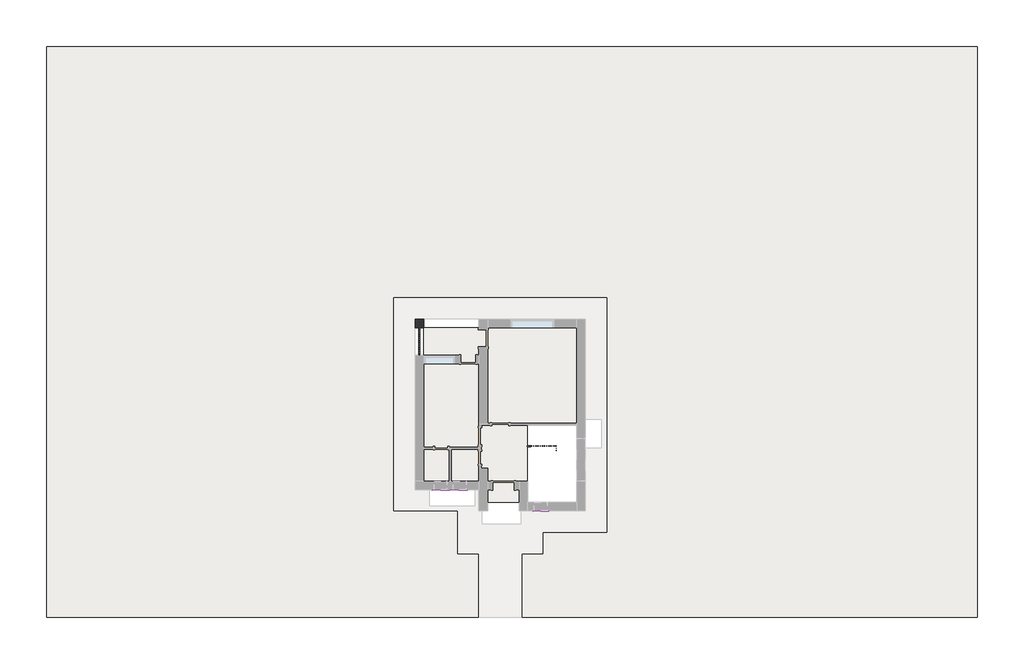
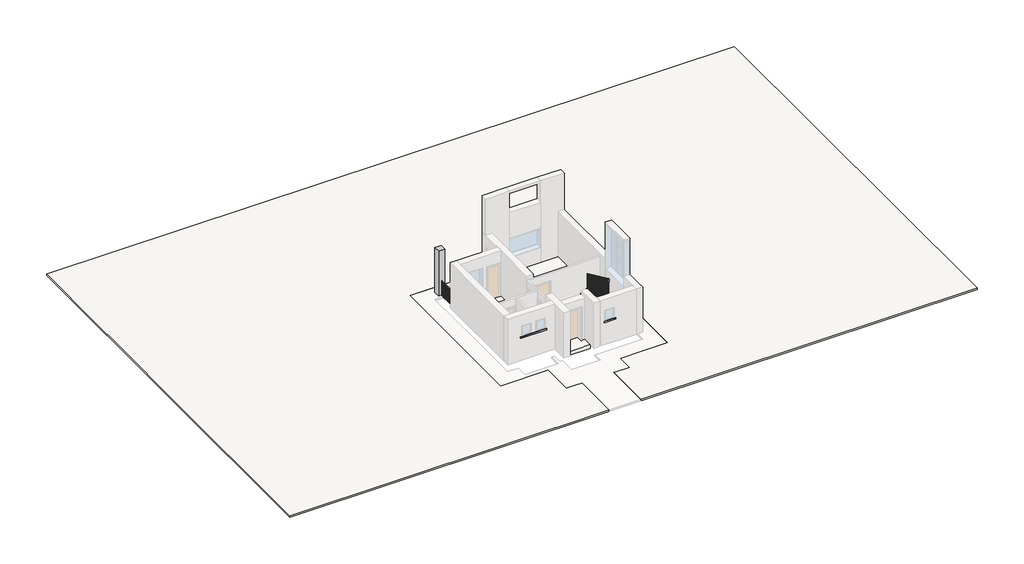
# One storey, part 2 of 2: 2 proxies, 2 railings, 2 slabs, 1 column.
"""IFC4 building model written with IfcOpenShell, lengths in millimetres."""

from ifc_helpers import new_model, si_unit, point, frame, frame_2d, origin, place, context, project, spatial, polyline, circle_curve, trimmed, segment, composite_curve, outline, extrude, faceted_brep, element, save

model = new_model("IFC4")

# Units and contexts
model_context = context("Model", 3, world=origin())
ifc_project = project(units=[si_unit("LENGTHUNIT", "METRE", prefix="MILLI")], contexts=[model_context])

# Site, building, storey
site = spatial("IfcSite", under=ifc_project)
building = spatial("IfcBuilding", under=site)
storey = spatial("IfcBuildingStorey", under=building, Elevation=450.0)

# Proxies
placement = place(None, origin())
element("IfcBuildingElementProxy", 1, Name="Cornice", ObjectType="Cornice", at=placement, inside=storey, context=model_context, shape_type="SweptSolid", body=[
    extrude(outline(polyline([(-4123.694566, -1474.9034387), (-4123.694566, -1524.9034387), (-5783.694566, -1524.9034387), (-5783.694566, -1474.9034387), (-4123.694566, -1474.9034387)])), frame((0.0, 0.0, 1970.0), z_axis=(0.0, 0.0, 1.0), x_axis=(1.0, 0.0, 0.0)), (0.0, 0.0, 1.0), 80.0),
])
element("IfcBuildingElementProxy", 2, Name="Cornice", ObjectType="Cornice", at=placement, inside=storey, context=model_context, shape_type="SweptSolid", body=[
    extrude(outline(polyline([(-303.694566, -2474.9034387), (-303.694566, -2524.9034387), (-1043.694566, -2524.9034387), (-1043.694566, -2474.9034387), (-303.694566, -2474.9034387)])), frame((0.0, 0.0, 1970.0), z_axis=(0.0, 0.0, 1.0), x_axis=(1.0, 0.0, 0.0)), (0.0, 0.0, 1.0), 80.0),
])

# Column
element("IfcColumn", 3, ObjectType="Family2 : Family2", at=placement, inside=storey, context=model_context, shape_type="SweptSolid", body=[
    extrude(outline(polyline([(-6183.694566, 6525.0965613), (-6183.694566, 6125.0965613), (-6583.694566, 6125.0965613), (-6583.694566, 6525.0965613), (-6183.694566, 6525.0965613)])), frame((0.0, 0.0, 450.0), z_axis=(0.0, 0.0, 1.0), x_axis=(1.0, 0.0, 0.0)), (0.0, 0.0, 1.0), 3040.0),
])

# Railings
element("IfcRailing", 4, at=placement, inside=storey, context=model_context, shape_type="SweptSolid", body=[
    extrude(outline(composite_curve([segment(trimmed(circle_curve(frame_2d((1430.95, -6383.694566)), 19.05), [point((1430.95, -6402.744566))], [point((1430.95, -6364.644566))], False, "CARTESIAN"), True, "CONTINUOUS"), segment(trimmed(circle_curve(frame_2d((1430.95, -6383.694566)), 19.05), [point((1430.95, -6364.644566))], [point((1430.95, -6402.744566))], False, "CARTESIAN"), True, "CONTINUOUS")], self_intersect=False)), frame((0.0, 4825.0965613, 0.0), z_axis=(0.0, 1.0, 0.0), x_axis=(0.0, 0.0, 1.0)), (0.0, 0.0, 1.0), 1300.0),
    extrude(outline(polyline([(-6402.744566, 4924.9465613), (-6364.644566, 4924.9465613), (-6364.644566, 4886.8465613), (-6402.744566, 4886.8465613), (-6402.744566, 4924.9465613)])), frame((0.0, 0.0, 450.0), z_axis=(0.0, 0.0, 1.0), x_axis=(1.0, 0.0, 0.0)), (0.0, 0.0, 1.0), 961.9),
    extrude(outline(polyline([(-6402.744566, 5026.5465613), (-6364.644566, 5026.5465613), (-6364.644566, 4988.4465613), (-6402.744566, 4988.4465613), (-6402.744566, 5026.5465613)])), frame((0.0, 0.0, 450.0), z_axis=(0.0, 0.0, 1.0), x_axis=(1.0, 0.0, 0.0)), (0.0, 0.0, 1.0), 961.9),
    extrude(outline(polyline([(-6402.744566, 5128.1465613), (-6364.644566, 5128.1465613), (-6364.644566, 5090.0465613), (-6402.744566, 5090.0465613), (-6402.744566, 5128.1465613)])), frame((0.0, 0.0, 450.0), z_axis=(0.0, 0.0, 1.0), x_axis=(1.0, 0.0, 0.0)), (0.0, 0.0, 1.0), 961.9),
    extrude(outline(polyline([(-6402.744566, 5229.7465613), (-6364.644566, 5229.7465613), (-6364.644566, 5191.6465613), (-6402.744566, 5191.6465613), (-6402.744566, 5229.7465613)])), frame((0.0, 0.0, 450.0), z_axis=(0.0, 0.0, 1.0), x_axis=(1.0, 0.0, 0.0)), (0.0, 0.0, 1.0), 961.9),
    extrude(outline(polyline([(-6402.744566, 5331.3465613), (-6364.644566, 5331.3465613), (-6364.644566, 5293.2465613), (-6402.744566, 5293.2465613), (-6402.744566, 5331.3465613)])), frame((0.0, 0.0, 450.0), z_axis=(0.0, 0.0, 1.0), x_axis=(1.0, 0.0, 0.0)), (0.0, 0.0, 1.0), 961.9),
    extrude(outline(polyline([(-6402.744566, 5432.9465613), (-6364.644566, 5432.9465613), (-6364.644566, 5394.8465613), (-6402.744566, 5394.8465613), (-6402.744566, 5432.9465613)])), frame((0.0, 0.0, 450.0), z_axis=(0.0, 0.0, 1.0), x_axis=(1.0, 0.0, 0.0)), (0.0, 0.0, 1.0), 961.9),
    extrude(outline(polyline([(-6402.744566, 5534.5465613), (-6364.644566, 5534.5465613), (-6364.644566, 5496.4465613), (-6402.744566, 5496.4465613), (-6402.744566, 5534.5465613)])), frame((0.0, 0.0, 450.0), z_axis=(0.0, 0.0, 1.0), x_axis=(1.0, 0.0, 0.0)), (0.0, 0.0, 1.0), 961.9),
    extrude(outline(polyline([(-6402.744566, 5636.1465613), (-6364.644566, 5636.1465613), (-6364.644566, 5598.0465613), (-6402.744566, 5598.0465613), (-6402.744566, 5636.1465613)])), frame((0.0, 0.0, 450.0), z_axis=(0.0, 0.0, 1.0), x_axis=(1.0, 0.0, 0.0)), (0.0, 0.0, 1.0), 961.9),
    extrude(outline(polyline([(-6402.744566, 5737.7465613), (-6364.644566, 5737.7465613), (-6364.644566, 5699.6465613), (-6402.744566, 5699.6465613), (-6402.744566, 5737.7465613)])), frame((0.0, 0.0, 450.0), z_axis=(0.0, 0.0, 1.0), x_axis=(1.0, 0.0, 0.0)), (0.0, 0.0, 1.0), 961.9),
    extrude(outline(polyline([(-6402.744566, 5839.3465613), (-6364.644566, 5839.3465613), (-6364.644566, 5801.2465613), (-6402.744566, 5801.2465613), (-6402.744566, 5839.3465613)])), frame((0.0, 0.0, 450.0), z_axis=(0.0, 0.0, 1.0), x_axis=(1.0, 0.0, 0.0)), (0.0, 0.0, 1.0), 961.9),
    extrude(outline(polyline([(-6402.744566, 5940.9465613), (-6364.644566, 5940.9465613), (-6364.644566, 5902.8465613), (-6402.744566, 5902.8465613), (-6402.744566, 5940.9465613)])), frame((0.0, 0.0, 450.0), z_axis=(0.0, 0.0, 1.0), x_axis=(1.0, 0.0, 0.0)), (0.0, 0.0, 1.0), 961.9),
    extrude(outline(polyline([(-6402.744566, 6042.5465613), (-6364.644566, 6042.5465613), (-6364.644566, 6004.4465613), (-6402.744566, 6004.4465613), (-6402.744566, 6042.5465613)])), frame((0.0, 0.0, 450.0), z_axis=(0.0, 0.0, 1.0), x_axis=(1.0, 0.0, 0.0)), (0.0, 0.0, 1.0), 961.9),
    extrude(outline(polyline([(-6393.219566, 4844.1215613), (-6374.169566, 4844.1215613), (-6374.169566, 4825.0715613), (-6393.219566, 4825.0715613), (-6393.219566, 4844.1215613)])), frame((0.0, 0.0, 450.0), z_axis=(0.0, 0.0, 1.0), x_axis=(1.0, 0.0, 0.0)), (0.0, 0.0, 1.0), 961.9),
    extrude(outline(polyline([(-6393.219566, 6125.1215613), (-6374.169566, 6125.1215613), (-6374.169566, 6106.0715613), (-6393.219566, 6106.0715613), (-6393.219566, 6125.1215613)])), frame((0.0, 0.0, 450.0), z_axis=(0.0, 0.0, 1.0), x_axis=(1.0, 0.0, 0.0)), (0.0, 0.0, 1.0), 961.9),
])
element("IfcRailing", 5, ObjectType="Handrail - Rectangular", at=placement, inside=storey, context=model_context, shape_type="SolidModel", body=[
    faceted_brep([(-1315.444566, 595.8965613, 1610.0), (-1315.444566, 595.8965613, 1550.3516657), (-1315.444566, 545.0965613, 1550.3516657), (-1315.444566, 545.0965613, 1610.0), (-15.444566, 595.8965613, 2410.0), (-1.0660228, 595.8965613, 2359.2), (-1.0660228, 545.0965613, 2359.2), (-15.444566, 545.0965613, 2410.0), (41.705434, 595.8965613, 2410.0), (41.705434, 545.0965613, 2410.0), (92.505434, 545.0965613, 2359.2), (92.505434, 595.8965613, 2359.2)], [[[0, 1, 2, 3]], [[1, 0, 4, 5]], [[2, 1, 5, 6]], [[3, 2, 6, 7]], [[0, 3, 7, 4]], [[8, 9, 10, 11]], [[5, 4, 8, 11]], [[6, 5, 11, 10]], [[7, 6, 10, 9]], [[4, 7, 9, 8]]]),
    faceted_brep([(41.705434, 595.8965613, 2410.0), (92.505434, 595.8965613, 2359.2), (92.505434, 545.0965613, 2359.2), (41.705434, 545.0965613, 2410.0), (41.705434, 595.8965613, 2568.7683608), (41.705434, 545.0965613, 2540.2485687), (92.505434, 545.0965613, 2540.2485687), (92.505434, 595.8965613, 2568.7683608)], [[[0, 1, 2, 3]], [[4, 5, 6, 7]], [[1, 0, 4, 7]], [[2, 1, 7, 6]], [[3, 2, 6, 5]], [[0, 3, 5, 4]]]),
    faceted_brep([(67.105434, 570.4965613, 2554.5084648), (67.105434, 519.6965613, 2525.9886727), (16.305434, 519.6965613, 2525.9886727), (16.305434, 570.4965613, 2554.5084648), (67.105434, -1028.9243229, 3530.0), (67.105434, -1043.1935806, 3479.2), (16.305434, -1043.1935806, 3479.2), (16.305434, -1028.9243229, 3530.0), (67.105434, -1086.0743229, 3530.0), (16.305434, -1086.0743229, 3530.0), (16.305434, -1136.8743229, 3479.2), (67.105434, -1136.8743229, 3479.2)], [[[0, 1, 2, 3]], [[1, 0, 4, 5]], [[2, 1, 5, 6]], [[3, 2, 6, 7]], [[0, 3, 7, 4]], [[8, 9, 10, 11]], [[5, 4, 8, 11]], [[6, 5, 11, 10]], [[7, 6, 10, 9]], [[4, 7, 9, 8]]]),
    faceted_brep([(67.105434, -1086.0743229, 3530.0), (67.105434, -1136.8743229, 3479.2), (16.305434, -1136.8743229, 3479.2), (16.305434, -1086.0743229, 3530.0), (67.105434, -1086.0743229, 3688.5626287), (16.305434, -1086.0743229, 3660.1758328), (16.305434, -1136.8743229, 3660.1758328), (67.105434, -1136.8743229, 3688.5626287)], [[[0, 1, 2, 3]], [[4, 5, 6, 7]], [[1, 0, 4, 7]], [[2, 1, 7, 6]], [[3, 2, 6, 5]], [[0, 3, 5, 4]]]),
    faceted_brep([(41.705434, -1111.4743229, 3674.3692308), (-9.094566, -1111.4743229, 3645.9824349), (-9.094566, -1060.6743229, 3645.9824349), (41.705434, -1060.6743229, 3674.3692308), (-1283.694566, -1111.4743229, 4490.0), (-1283.694566, -1060.6743229, 4490.0), (-1283.694566, -1060.6743229, 4430.3516657), (-1283.694566, -1111.4743229, 4430.3516657)], [[[0, 1, 2, 3]], [[4, 5, 6, 7]], [[1, 0, 4, 7]], [[2, 1, 7, 6]], [[3, 2, 6, 5]], [[0, 3, 5, 4]]]),
    extrude(outline(polyline([(4421.659358, -1269.569566), (4433.3824349, -1288.619566), (3330.0, -1288.619566), (3330.0, -1269.569566), (4421.659358, -1269.569566)])), frame((0.0, -1095.5993229, 0.0), z_axis=(0.0, 1.0, 0.0), x_axis=(0.0, 0.0, 1.0)), (0.0, 0.0, 1.0), 19.05),
    extrude(outline(polyline([(4359.1362811, -1167.969566), (4370.859358, -1187.019566), (3330.0, -1187.019566), (3330.0, -1167.969566), (4359.1362811, -1167.969566)])), frame((0.0, -1095.5993229, 0.0), z_axis=(0.0, 1.0, 0.0), x_axis=(0.0, 0.0, 1.0)), (0.0, 0.0, 1.0), 19.05),
    extrude(outline(polyline([(4296.5516657, -1066.369566), (4308.2747426, -1085.419566), (3330.0, -1085.419566), (3330.0, -1066.369566), (4296.5516657, -1066.369566)])), frame((0.0, -1095.5993229, 0.0), z_axis=(0.0, 1.0, 0.0), x_axis=(0.0, 0.0, 1.0)), (0.0, 0.0, 1.0), 19.05),
    extrude(outline(polyline([(4234.0901272, -964.769566), (4245.8132041, -983.819566), (3170.0, -983.819566), (3170.0, -964.769566), (4234.0901272, -964.769566)])), frame((0.0, -1095.5993229, 0.0), z_axis=(0.0, 1.0, 0.0), x_axis=(0.0, 0.0, 1.0)), (0.0, 0.0, 1.0), 19.05),
    extrude(outline(polyline([(4171.5055118, -863.169566), (4183.2285888, -882.219566), (3170.0, -882.219566), (3170.0, -863.169566), (4171.5055118, -863.169566)])), frame((0.0, -1095.5993229, 0.0), z_axis=(0.0, 1.0, 0.0), x_axis=(0.0, 0.0, 1.0)), (0.0, 0.0, 1.0), 19.05),
    extrude(outline(polyline([(4108.9824349, -761.569566), (4120.7055118, -780.619566), (3170.0, -780.619566), (3170.0, -761.569566), (4108.9824349, -761.569566)])), frame((0.0, -1095.5993229, 0.0), z_axis=(0.0, 1.0, 0.0), x_axis=(0.0, 0.0, 1.0)), (0.0, 0.0, 1.0), 19.05),
    extrude(outline(polyline([(4046.5208965, -659.969566), (4058.2439734, -679.019566), (3010.0, -679.019566), (3010.0, -659.969566), (4046.5208965, -659.969566)])), frame((0.0, -1095.5993229, 0.0), z_axis=(0.0, 1.0, 0.0), x_axis=(0.0, 0.0, 1.0)), (0.0, 0.0, 1.0), 19.05),
    extrude(outline(polyline([(3983.9362811, -558.369566), (3995.659358, -577.419566), (3010.0, -577.419566), (3010.0, -558.369566), (3983.9362811, -558.369566)])), frame((0.0, -1095.5993229, 0.0), z_axis=(0.0, 1.0, 0.0), x_axis=(0.0, 0.0, 1.0)), (0.0, 0.0, 1.0), 19.05),
    extrude(outline(polyline([(3921.4747426, -456.769566), (3933.1978195, -475.819566), (2850.0, -475.819566), (2850.0, -456.769566), (3921.4747426, -456.769566)])), frame((0.0, -1095.5993229, 0.0), z_axis=(0.0, 1.0, 0.0), x_axis=(0.0, 0.0, 1.0)), (0.0, 0.0, 1.0), 19.05),
    extrude(outline(polyline([(3858.9516657, -355.169566), (3870.6747426, -374.219566), (2850.0, -374.219566), (2850.0, -355.169566), (3858.9516657, -355.169566)])), frame((0.0, -1095.5993229, 0.0), z_axis=(0.0, 1.0, 0.0), x_axis=(0.0, 0.0, 1.0)), (0.0, 0.0, 1.0), 19.05),
    extrude(outline(polyline([(3796.4285888, -253.569566), (3808.1516657, -272.619566), (2850.0, -272.619566), (2850.0, -253.569566), (3796.4285888, -253.569566)])), frame((0.0, -1095.5993229, 0.0), z_axis=(0.0, 1.0, 0.0), x_axis=(0.0, 0.0, 1.0)), (0.0, 0.0, 1.0), 19.05),
    extrude(outline(polyline([(3733.9055118, -151.969566), (3745.6285888, -171.019566), (2690.0, -171.019566), (2690.0, -151.969566), (3733.9055118, -151.969566)])), frame((0.0, -1095.5993229, 0.0), z_axis=(0.0, 1.0, 0.0), x_axis=(0.0, 0.0, 1.0)), (0.0, 0.0, 1.0), 19.05),
    extrude(outline(polyline([(3671.3824349, -50.369566), (3683.1055118, -69.419566), (2690.0, -69.419566), (2690.0, -50.369566), (3671.3824349, -50.369566)])), frame((0.0, -1095.5993229, 0.0), z_axis=(0.0, 1.0, 0.0), x_axis=(0.0, 0.0, 1.0)), (0.0, 0.0, 1.0), 19.05),
    extrude(outline(polyline([(-963.0284387, 3430.3070425), (-943.9784387, 3418.688391), (-943.9784387, 2370.0), (-963.0284387, 2370.0), (-963.0284387, 3430.3070425)])), frame((32.180434, 0.0, 0.0), z_axis=(1.0, 0.0, 0.0), x_axis=(0.0, 1.0, 0.0)), (0.0, 0.0, 1.0), 19.05),
    extrude(outline(polyline([(-861.4284387, 3368.3409015), (-842.3784387, 3356.7222501), (-842.3784387, 2370.0), (-861.4284387, 2370.0), (-861.4284387, 3368.3409015)])), frame((32.180434, 0.0, 0.0), z_axis=(1.0, 0.0, 0.0), x_axis=(0.0, 1.0, 0.0)), (0.0, 0.0, 1.0), 19.05),
    extrude(outline(polyline([(-759.8284387, 3306.3747605), (-740.7784387, 3294.7561091), (-740.7784387, 2210.0), (-759.8284387, 2210.0), (-759.8284387, 3306.3747605)])), frame((32.180434, 0.0, 0.0), z_axis=(1.0, 0.0, 0.0), x_axis=(0.0, 1.0, 0.0)), (0.0, 0.0, 1.0), 19.05),
    extrude(outline(polyline([(-658.2284387, 3244.4086195), (-639.1784387, 3232.7899681), (-639.1784387, 2210.0), (-658.2284387, 2210.0), (-658.2284387, 3244.4086195)])), frame((32.180434, 0.0, 0.0), z_axis=(1.0, 0.0, 0.0), x_axis=(0.0, 1.0, 0.0)), (0.0, 0.0, 1.0), 19.05),
    extrude(outline(polyline([(-556.6284387, 3182.4424786), (-537.5784387, 3170.8238271), (-537.5784387, 2210.0), (-556.6284387, 2210.0), (-556.6284387, 3182.4424786)])), frame((32.180434, 0.0, 0.0), z_axis=(1.0, 0.0, 0.0), x_axis=(0.0, 1.0, 0.0)), (0.0, 0.0, 1.0), 19.05),
    extrude(outline(polyline([(-455.0284387, 3120.4763376), (-435.9784387, 3108.8576862), (-435.9784387, 2050.0), (-455.0284387, 2050.0), (-455.0284387, 3120.4763376)])), frame((32.180434, 0.0, 0.0), z_axis=(1.0, 0.0, 0.0), x_axis=(0.0, 1.0, 0.0)), (0.0, 0.0, 1.0), 19.05),
    extrude(outline(polyline([(-353.4284387, 3058.5101966), (-334.3784387, 3046.8915452), (-334.3784387, 2050.0), (-353.4284387, 2050.0), (-353.4284387, 3058.5101966)])), frame((32.180434, 0.0, 0.0), z_axis=(1.0, 0.0, 0.0), x_axis=(0.0, 1.0, 0.0)), (0.0, 0.0, 1.0), 19.05),
    extrude(outline(polyline([(-251.8284387, 2996.5440557), (-232.7784387, 2984.9254042), (-232.7784387, 2050.0), (-251.8284387, 2050.0), (-251.8284387, 2996.5440557)])), frame((32.180434, 0.0, 0.0), z_axis=(1.0, 0.0, 0.0), x_axis=(0.0, 1.0, 0.0)), (0.0, 0.0, 1.0), 19.05),
    extrude(outline(polyline([(-150.2284387, 2934.5779147), (-131.1784387, 2922.9592633), (-131.1784387, 1890.0), (-150.2284387, 1890.0), (-150.2284387, 2934.5779147)])), frame((32.180434, 0.0, 0.0), z_axis=(1.0, 0.0, 0.0), x_axis=(0.0, 1.0, 0.0)), (0.0, 0.0, 1.0), 19.05),
    extrude(outline(polyline([(-48.6284387, 2872.6117737), (-29.5784387, 2860.9931223), (-29.5784387, 1890.0), (-48.6284387, 1890.0), (-48.6284387, 2872.6117737)])), frame((32.180434, 0.0, 0.0), z_axis=(1.0, 0.0, 0.0), x_axis=(0.0, 1.0, 0.0)), (0.0, 0.0, 1.0), 19.05),
    extrude(outline(polyline([(52.9715613, 2810.6456327), (72.0215613, 2799.0269813), (72.0215613, 1730.0), (52.9715613, 1730.0), (52.9715613, 2810.6456327)])), frame((32.180434, 0.0, 0.0), z_axis=(1.0, 0.0, 0.0), x_axis=(0.0, 1.0, 0.0)), (0.0, 0.0, 1.0), 19.05),
    extrude(outline(polyline([(154.5715613, 2748.6794918), (173.6215613, 2737.0608403), (173.6215613, 1730.0), (154.5715613, 1730.0), (154.5715613, 2748.6794918)])), frame((32.180434, 0.0, 0.0), z_axis=(1.0, 0.0, 0.0), x_axis=(0.0, 1.0, 0.0)), (0.0, 0.0, 1.0), 19.05),
    extrude(outline(polyline([(256.1715613, 2686.7133508), (275.2215613, 2675.0946994), (275.2215613, 1730.0), (256.1715613, 1730.0), (256.1715613, 2686.7133508)])), frame((32.180434, 0.0, 0.0), z_axis=(1.0, 0.0, 0.0), x_axis=(0.0, 1.0, 0.0)), (0.0, 0.0, 1.0), 19.05),
    extrude(outline(polyline([(357.7715613, 2624.7472098), (376.8215613, 2613.1285584), (376.8215613, 1570.0), (357.7715613, 1570.0), (357.7715613, 2624.7472098)])), frame((32.180434, 0.0, 0.0), z_axis=(1.0, 0.0, 0.0), x_axis=(0.0, 1.0, 0.0)), (0.0, 0.0, 1.0), 19.05),
    extrude(outline(polyline([(459.3715613, 2562.7810689), (478.4215613, 2551.1624174), (478.4215613, 1570.0), (459.3715613, 1570.0), (459.3715613, 2562.7810689)])), frame((32.180434, 0.0, 0.0), z_axis=(1.0, 0.0, 0.0), x_axis=(0.0, 1.0, 0.0)), (0.0, 0.0, 1.0), 19.05),
    extrude(outline(polyline([(2306.4901272, -86.719566), (2294.7670503, -105.769566), (1250.0, -105.769566), (1250.0, -86.719566), (2306.4901272, -86.719566)])), frame((0.0, 560.9715613, 0.0), z_axis=(0.0, 1.0, 0.0), x_axis=(0.0, 0.0, 1.0)), (0.0, 0.0, 1.0), 19.05),
    extrude(outline(polyline([(2243.9670503, -188.319566), (2232.2439734, -207.369566), (1250.0, -207.369566), (1250.0, -188.319566), (2243.9670503, -188.319566)])), frame((0.0, 560.9715613, 0.0), z_axis=(0.0, 1.0, 0.0), x_axis=(0.0, 0.0, 1.0)), (0.0, 0.0, 1.0), 19.05),
    extrude(outline(polyline([(2181.4439734, -289.919566), (2169.7208965, -308.969566), (1090.0, -308.969566), (1090.0, -289.919566), (2181.4439734, -289.919566)])), frame((0.0, 560.9715613, 0.0), z_axis=(0.0, 1.0, 0.0), x_axis=(0.0, 0.0, 1.0)), (0.0, 0.0, 1.0), 19.05),
    extrude(outline(polyline([(2118.9208965, -391.519566), (2107.1978195, -410.569566), (1090.0, -410.569566), (1090.0, -391.519566), (2118.9208965, -391.519566)])), frame((0.0, 560.9715613, 0.0), z_axis=(0.0, 1.0, 0.0), x_axis=(0.0, 0.0, 1.0)), (0.0, 0.0, 1.0), 19.05),
    extrude(outline(polyline([(2056.3978195, -493.119566), (2044.6747426, -512.169566), (1090.0, -512.169566), (1090.0, -493.119566), (2056.3978195, -493.119566)])), frame((0.0, 560.9715613, 0.0), z_axis=(0.0, 1.0, 0.0), x_axis=(0.0, 0.0, 1.0)), (0.0, 0.0, 1.0), 19.05),
    extrude(outline(polyline([(1993.8747426, -594.719566), (1982.1516657, -613.769566), (930.0, -613.769566), (930.0, -594.719566), (1993.8747426, -594.719566)])), frame((0.0, 560.9715613, 0.0), z_axis=(0.0, 1.0, 0.0), x_axis=(0.0, 0.0, 1.0)), (0.0, 0.0, 1.0), 19.05),
    extrude(outline(polyline([(1931.3516657, -696.319566), (1919.6285888, -715.369566), (930.0, -715.369566), (930.0, -696.319566), (1931.3516657, -696.319566)])), frame((0.0, 560.9715613, 0.0), z_axis=(0.0, 1.0, 0.0), x_axis=(0.0, 0.0, 1.0)), (0.0, 0.0, 1.0), 19.05),
    extrude(outline(polyline([(1868.8285888, -797.919566), (1857.1055118, -816.969566), (770.0, -816.969566), (770.0, -797.919566), (1868.8285888, -797.919566)])), frame((0.0, 560.9715613, 0.0), z_axis=(0.0, 1.0, 0.0), x_axis=(0.0, 0.0, 1.0)), (0.0, 0.0, 1.0), 19.05),
    extrude(outline(polyline([(1806.3055118, -899.519566), (1794.5824349, -918.569566), (770.0, -918.569566), (770.0, -899.519566), (1806.3055118, -899.519566)])), frame((0.0, 560.9715613, 0.0), z_axis=(0.0, 1.0, 0.0), x_axis=(0.0, 0.0, 1.0)), (0.0, 0.0, 1.0), 19.05),
    extrude(outline(polyline([(1743.7824349, -1001.119566), (1732.059358, -1020.169566), (770.0, -1020.169566), (770.0, -1001.119566), (1743.7824349, -1001.119566)])), frame((0.0, 560.9715613, 0.0), z_axis=(0.0, 1.0, 0.0), x_axis=(0.0, 0.0, 1.0)), (0.0, 0.0, 1.0), 19.05),
    extrude(outline(polyline([(1681.259358, -1102.719566), (1669.5362811, -1121.769566), (610.0, -1121.769566), (610.0, -1102.719566), (1681.259358, -1102.719566)])), frame((0.0, 560.9715613, 0.0), z_axis=(0.0, 1.0, 0.0), x_axis=(0.0, 0.0, 1.0)), (0.0, 0.0, 1.0), 19.05),
    extrude(outline(polyline([(1618.7362811, -1204.319566), (1607.0132041, -1223.369566), (610.0, -1223.369566), (610.0, -1204.319566), (1618.7362811, -1204.319566)])), frame((0.0, 560.9715613, 0.0), z_axis=(0.0, 1.0, 0.0), x_axis=(0.0, 0.0, 1.0)), (0.0, 0.0, 1.0), 19.05),
    extrude(outline(polyline([(51.230434, -1076.5493229), (51.230434, -1095.5993229), (32.180434, -1095.5993229), (32.180434, -1076.5493229), (51.230434, -1076.5493229)])), frame((0.0, 0.0, 2530.0), z_axis=(0.0, 0.0, 1.0), x_axis=(1.0, 0.0, 0.0)), (0.0, 0.0, 1.0), 949.2),
    extrude(outline(polyline([(-1038.4493229, 3511.1624174), (-1019.3993229, 3499.543766), (-1019.3993229, 2530.0), (-1038.4493229, 2530.0), (-1038.4493229, 3511.1624174)])), frame((32.180434, 0.0, 0.0), z_axis=(1.0, 0.0, 0.0), x_axis=(0.0, 1.0, 0.0)), (0.0, 0.0, 1.0), 19.05),
    extrude(outline(polyline([(32.180434, 580.0215613), (51.230434, 580.0215613), (51.230434, 560.9715613), (32.180434, 560.9715613), (32.180434, 580.0215613)])), frame((0.0, 0.0, 1410.0), z_axis=(0.0, 0.0, 1.0), x_axis=(1.0, 0.0, 0.0)), (0.0, 0.0, 1.0), 949.2),
    extrude(outline(polyline([(2391.3824349, -5.919566), (2379.659358, -24.969566), (1410.0, -24.969566), (1410.0, -5.919566), (2391.3824349, -5.919566)])), frame((0.0, 560.9715613, 0.0), z_axis=(0.0, 1.0, 0.0), x_axis=(0.0, 0.0, 1.0)), (0.0, 0.0, 1.0), 19.05),
    extrude(outline(polyline([(4418.6285888, -1264.669566), (4430.3516657, -1283.719566), (3330.0, -1283.719566), (3330.0, -1264.669566), (4418.6285888, -1264.669566)])), frame((0.0, -1095.5993229, 0.0), z_axis=(0.0, 1.0, 0.0), x_axis=(0.0, 0.0, 1.0)), (0.0, 0.0, 1.0), 19.05),
    extrude(outline(polyline([(1562.0747426, -1296.419566), (1550.3516657, -1315.469566), (610.0, -1315.469566), (610.0, -1296.419566), (1562.0747426, -1296.419566)])), frame((0.0, 560.9715613, 0.0), z_axis=(0.0, 1.0, 0.0), x_axis=(0.0, 0.0, 1.0)), (0.0, 0.0, 1.0), 19.05),
])

# Slabs
element("IfcSlab", 6, at=placement, inside=storey, context=model_context, shape_type="SweptSolid", body=[
    extrude(outline(polyline([(-3583.694566, -4474.9034387), (-3583.694566, -7474.9034387), (-23883.694566, -7474.9034387), (-23883.694566, 19325.0965613), (19816.305434, 19325.0965613), (19816.305434, -7474.9034387), (-1583.694566, -7474.9034387), (-1583.694566, -4474.9034387), (-583.694566, -4474.9034387), (-583.694566, -3474.9034387), (2416.305434, -3474.9034387), (2416.305434, 7525.0965613), (-7583.694566, 7525.0965613), (-7583.694566, -2474.9034387), (-4583.694566, -2474.9034387), (-4583.694566, -4474.9034387), (-3583.694566, -4474.9034387)])), frame((0.0, 0.0, -100.0), z_axis=(0.0, 0.0, 1.0), x_axis=(1.0, 0.0, 0.0)), (0.0, 0.0, 1.0), 100.0),
])
element("IfcSlab", 7, ObjectType="Generic - 12\"", at=placement, inside=storey, context=model_context, shape_type="SweptSolid", body=[
    extrude(outline(polyline([(-4443.694566, 4825.0965613), (-6183.694566, 4825.0965613), (-6183.694566, 6125.0965613), (-3583.694566, 6125.0965613), (-3583.694566, 6025.0965613), (-3183.694566, 6025.0965613), (-3183.694566, 6125.0965613), (1016.305434, 6125.0965613), (1016.305434, 1645.0965613), (-2183.694566, 1645.0965613), (-2183.694566, 1545.0965613), (-1315.444566, 1545.0965613), (-1315.444566, -1074.9034387), (-1933.694566, -1074.9034387), (-1933.694566, -1474.9034387), (-1683.694566, -1474.9034387), (-1683.694566, -2074.9034387), (-3231.269566, -2074.9034387), (-3231.269566, -1474.9034387), (-2933.694566, -1474.9034387), (-2933.694566, -1074.9034387), (-3231.269566, -1074.9034387), (-3231.269566, -474.9034387), (-3483.694566, -474.9034387), (-3483.694566, -274.9034387), (-3583.694566, -274.9034387), (-3583.694566, -1074.9034387), (-6183.694566, -1074.9034387), (-6183.694566, 425.0965613), (-5653.694566, 425.0965613), (-5653.694566, 470.1810181), (-5653.694566, 525.0965613), (-6183.694566, 525.0965613), (-6183.694566, 4425.0965613), (-6143.694566, 4425.0965613), (-4443.694566, 4425.0965613), (-4443.694566, 4825.0965613)]), holes=[polyline([(-3583.694566, 4825.0965613), (-3743.694566, 4825.0965613), (-3743.694566, 4425.0965613), (-3583.694566, 4425.0965613), (-3583.694566, 1425.0965613), (-3483.694566, 1425.0965613), (-3483.694566, 1545.0965613), (-2983.694566, 1545.0965613), (-2983.694566, 1645.0965613), (-3183.694566, 1645.0965613), (-3183.694566, 5225.0965613), (-3583.694566, 5225.0965613), (-3583.694566, 4825.0965613)])]), frame((0.0, 0.0, 200.0), z_axis=(0.0, 0.0, 1.0), x_axis=(1.0, 0.0, 0.0)), (0.0, 0.0, 1.0), 250.0),
])

save(model, "model.ifc")
